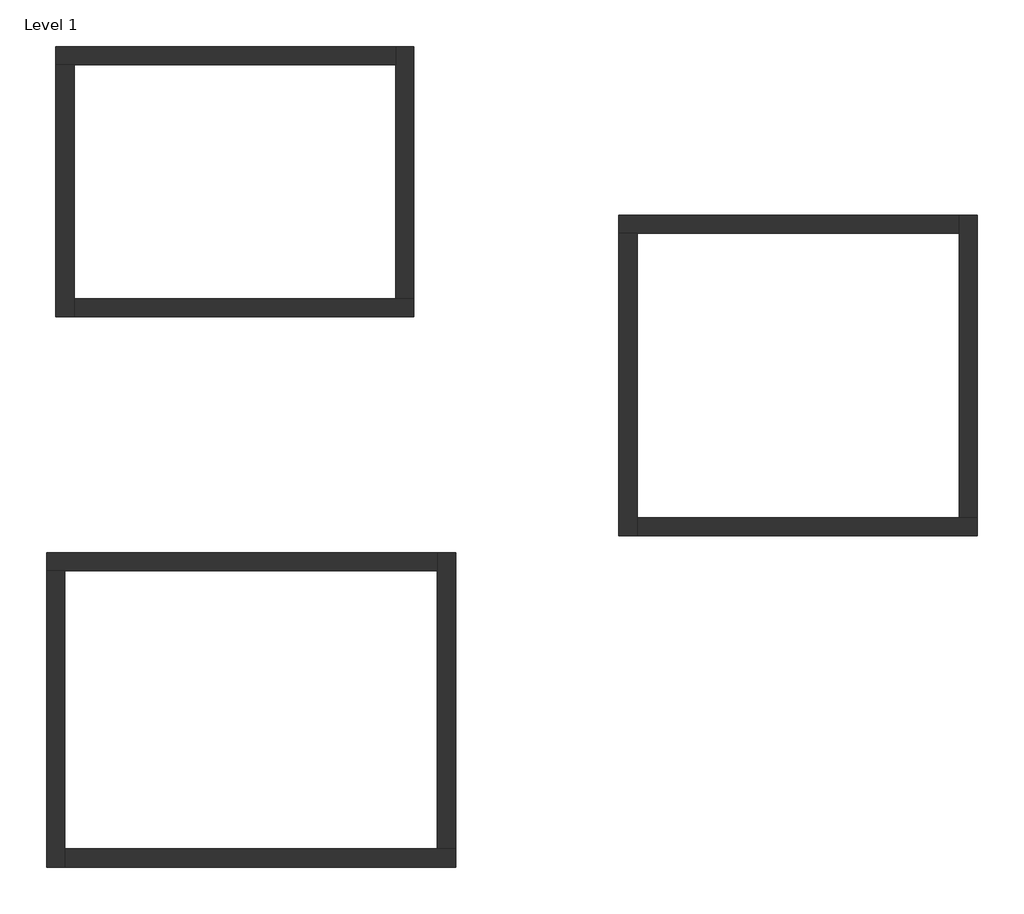
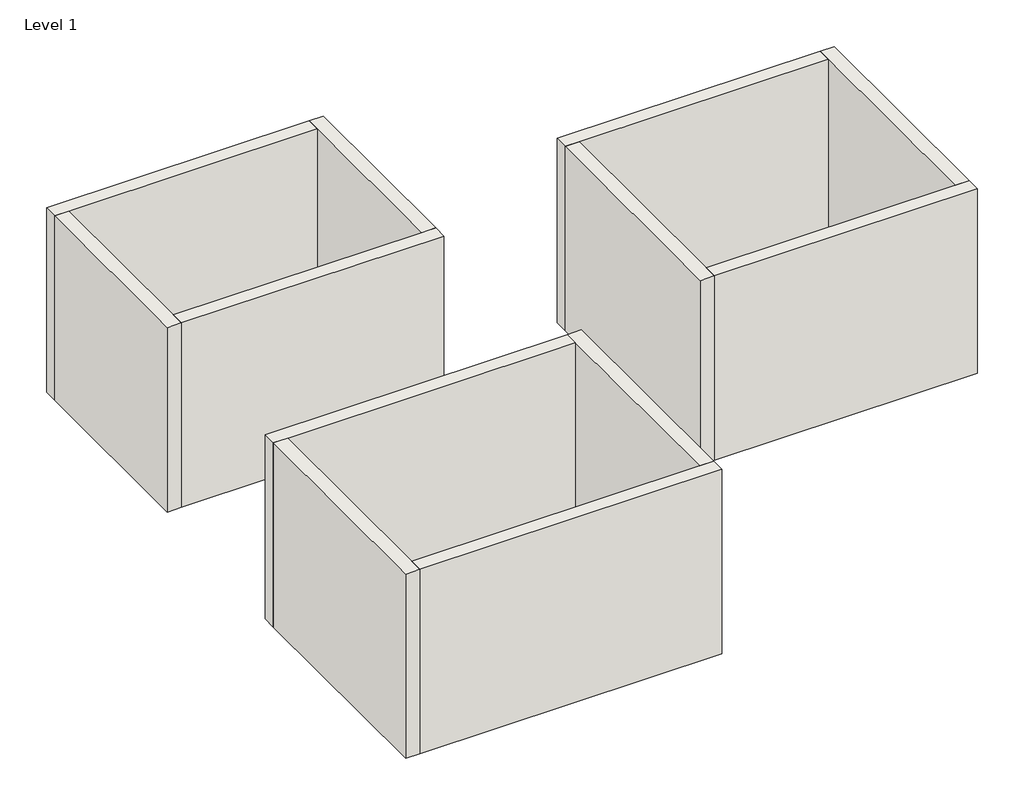
# One storey: 12 walls.
"""IFC4 building model written with IfcOpenShell, lengths in millimetres."""

from ifc_helpers import new_model, si_unit, origin, place, context, project, spatial, faceted_brep, element, save

model = new_model("IFC4")

# Units and contexts
model_context = context("Model", 3, world=origin())
ifc_project = project(units=[si_unit("LENGTHUNIT", "METRE", prefix="MILLI")], contexts=[model_context])

# Site, building, storey
site = spatial("IfcSite", under=ifc_project)
building = spatial("IfcBuilding", under=site)
storey = spatial("IfcBuildingStorey", under=building, Name="Level 1", Elevation=0.0)

# Walls
placement = place(None, origin())
element("IfcWall", 1, at=placement, inside=storey, context=model_context, shape_type="Brep", body=[
    faceted_brep([(-9291.3357942, 7542.1666467, 0.0), (-9001.3357942, 7542.1666467, 0.0), (-3901.3357942, 7542.1666467, 0.0), (-3901.3357942, 7542.1666467, 4000.0), (-9001.3357942, 7542.1666467, 4000.0), (-9291.3357942, 7542.1666467, 4000.0), (-9291.3357942, 7832.1666467, 0.0), (-9291.3357942, 7832.1666467, 4000.0), (-3901.3357942, 7832.1666467, 4000.0), (-3901.3357942, 7832.1666467, 0.0)], [[[0, 1, 2, 3, 4, 5]], [[6, 7, 8, 9]], [[2, 1, 0, 6, 9]], [[5, 4, 3, 8, 7]], [[0, 5, 7, 6]], [[3, 2, 9, 8]]]),
])
element("IfcWall", 2, at=placement, inside=storey, context=model_context, shape_type="Brep", body=[
    faceted_brep([(-9001.3357942, 3542.1666467, 0.0), (-9001.3357942, 3832.1666467, 0.0), (-9001.3357942, 7542.1666467, 0.0), (-9001.3357942, 7542.1666467, 4000.0), (-9001.3357942, 3832.1666467, 4000.0), (-9001.3357942, 3542.1666467, 4000.0), (-9291.3357942, 3542.1666467, 0.0), (-9291.3357942, 3542.1666467, 4000.0), (-9291.3357942, 7542.1666467, 4000.0), (-9291.3357942, 7542.1666467, 0.0)], [[[0, 1, 2, 3, 4, 5]], [[6, 7, 8, 9]], [[2, 1, 0, 6, 9]], [[5, 4, 3, 8, 7]], [[0, 5, 7, 6]], [[3, 2, 9, 8]]]),
])
element("IfcWall", 3, at=placement, inside=storey, context=model_context, shape_type="Brep", body=[
    faceted_brep([(-3611.3357942, 3832.1666467, 0.0), (-3901.3357942, 3832.1666467, 0.0), (-9001.3357942, 3832.1666467, 0.0), (-9001.3357942, 3832.1666467, 4000.0), (-3901.3357942, 3832.1666467, 4000.0), (-3611.3357942, 3832.1666467, 4000.0), (-3611.3357942, 3542.1666467, 0.0), (-3611.3357942, 3542.1666467, 4000.0), (-9001.3357942, 3542.1666467, 4000.0), (-9001.3357942, 3542.1666467, 0.0)], [[[0, 1, 2, 3, 4, 5]], [[6, 7, 8, 9]], [[2, 1, 0, 6, 9]], [[5, 4, 3, 8, 7]], [[0, 5, 7, 6]], [[3, 2, 9, 8]]]),
])
element("IfcWall", 4, at=placement, inside=storey, context=model_context, shape_type="Brep", body=[
    faceted_brep([(-3901.3357942, 7832.1666467, 0.0), (-3901.3357942, 7542.1666467, 0.0), (-3901.3357942, 3832.1666467, 0.0), (-3901.3357942, 3832.1666467, 4000.0), (-3901.3357942, 7542.1666467, 4000.0), (-3901.3357942, 7832.1666467, 4000.0), (-3611.3357942, 7832.1666467, 0.0), (-3611.3357942, 7832.1666467, 4000.0), (-3611.3357942, 3832.1666467, 4000.0), (-3611.3357942, 3832.1666467, 0.0)], [[[0, 1, 2, 3, 4, 5]], [[6, 7, 8, 9]], [[2, 1, 0, 6, 9]], [[5, 4, 3, 8, 7]], [[0, 5, 7, 6]], [[3, 2, 9, 8]]]),
])
element("IfcWall", 5, at=placement, inside=storey, context=model_context, shape_type="Brep", body=[
    faceted_brep([(-357.5121982, 4868.5406071, 0.0), (-67.5121982, 4868.5406071, 0.0), (5042.4878018, 4868.5406071, 0.0), (5042.4878018, 4868.5406071, 4000.0), (-67.5121982, 4868.5406071, 4000.0), (-357.5121982, 4868.5406071, 4000.0), (-357.5121982, 5158.5406071, 0.0), (-357.5121982, 5158.5406071, 4000.0), (5042.4878018, 5158.5406071, 4000.0), (5042.4878018, 5158.5406071, 0.0)], [[[0, 1, 2, 3, 4, 5]], [[6, 7, 8, 9]], [[2, 1, 0, 6, 9]], [[5, 4, 3, 8, 7]], [[0, 5, 7, 6]], [[3, 2, 9, 8]]]),
])
element("IfcWall", 6, at=placement, inside=storey, context=model_context, shape_type="Brep", body=[
    faceted_brep([(-67.5121982, 68.5406071, 0.0), (-67.5121982, 358.5406071, 0.0), (-67.5121982, 4868.5406071, 0.0), (-67.5121982, 4868.5406071, 4000.0), (-67.5121982, 358.5406071, 4000.0), (-67.5121982, 68.5406071, 4000.0), (-357.5121982, 68.5406071, 0.0), (-357.5121982, 68.5406071, 4000.0), (-357.5121982, 4868.5406071, 4000.0), (-357.5121982, 4868.5406071, 0.0)], [[[0, 1, 2, 3, 4, 5]], [[6, 7, 8, 9]], [[2, 1, 0, 6, 9]], [[5, 4, 3, 8, 7]], [[0, 5, 7, 6]], [[3, 2, 9, 8]]]),
])
element("IfcWall", 7, at=placement, inside=storey, context=model_context, shape_type="Brep", body=[
    faceted_brep([(5332.4878018, 358.5406071, 0.0), (5042.4878018, 358.5406071, 0.0), (-67.5121982, 358.5406071, 0.0), (-67.5121982, 358.5406071, 4000.0), (5042.4878018, 358.5406071, 4000.0), (5332.4878018, 358.5406071, 4000.0), (5332.4878018, 68.5406071, 0.0), (5332.4878018, 68.5406071, 4000.0), (-67.5121982, 68.5406071, 4000.0), (-67.5121982, 68.5406071, 0.0)], [[[0, 1, 2, 3, 4, 5]], [[6, 7, 8, 9]], [[2, 1, 0, 6, 9]], [[5, 4, 3, 8, 7]], [[0, 5, 7, 6]], [[3, 2, 9, 8]]]),
])
element("IfcWall", 8, at=placement, inside=storey, context=model_context, shape_type="Brep", body=[
    faceted_brep([(5042.4878018, 5158.5406071, 0.0), (5042.4878018, 4868.5406071, 0.0), (5042.4878018, 358.5406071, 0.0), (5042.4878018, 358.5406071, 4000.0), (5042.4878018, 4868.5406071, 4000.0), (5042.4878018, 5158.5406071, 4000.0), (5332.4878018, 5158.5406071, 0.0), (5332.4878018, 5158.5406071, 4000.0), (5332.4878018, 358.5406071, 4000.0), (5332.4878018, 358.5406071, 0.0)], [[[0, 1, 2, 3, 4, 5]], [[6, 7, 8, 9]], [[2, 1, 0, 6, 9]], [[5, 4, 3, 8, 7]], [[0, 5, 7, 6]], [[3, 2, 9, 8]]]),
])
element("IfcWall", 9, at=placement, inside=storey, context=model_context, shape_type="Brep", body=[
    faceted_brep([(-9439.6652622, -489.2424041, 0.0), (-9149.6652622, -489.2424041, 0.0), (-3239.6652622, -489.2424041, 0.0), (-3239.6652622, -489.2424041, 4000.0), (-9149.6652622, -489.2424041, 4000.0), (-9439.6652622, -489.2424041, 4000.0), (-9439.6652622, -199.2424041, 0.0), (-9439.6652622, -199.2424041, 4000.0), (-3239.6652622, -199.2424041, 4000.0), (-3239.6652622, -199.2424041, 0.0)], [[[0, 1, 2, 3, 4, 5]], [[6, 7, 8, 9]], [[2, 1, 0, 6, 9]], [[5, 4, 3, 8, 7]], [[0, 5, 7, 6]], [[3, 2, 9, 8]]]),
])
element("IfcWall", 10, at=placement, inside=storey, context=model_context, shape_type="Brep", body=[
    faceted_brep([(-9149.6652622, -5189.2424041, 0.0), (-9149.6652622, -4899.2424041, 0.0), (-9149.6652622, -489.2424041, 0.0), (-9149.6652622, -489.2424041, 4000.0), (-9149.6652622, -4899.2424041, 4000.0), (-9149.6652622, -5189.2424041, 4000.0), (-9439.6652622, -5189.2424041, 0.0), (-9439.6652622, -5189.2424041, 4000.0), (-9439.6652622, -489.2424041, 4000.0), (-9439.6652622, -489.2424041, 0.0)], [[[0, 1, 2, 3, 4, 5]], [[6, 7, 8, 9]], [[2, 1, 0, 6, 9]], [[5, 4, 3, 8, 7]], [[0, 5, 7, 6]], [[3, 2, 9, 8]]]),
])
element("IfcWall", 11, at=placement, inside=storey, context=model_context, shape_type="Brep", body=[
    faceted_brep([(-2949.6652622, -4899.2424041, 0.0), (-3239.6652622, -4899.2424041, 0.0), (-9149.6652622, -4899.2424041, 0.0), (-9149.6652622, -4899.2424041, 4000.0), (-3239.6652622, -4899.2424041, 4000.0), (-2949.6652622, -4899.2424041, 4000.0), (-2949.6652622, -5189.2424041, 0.0), (-2949.6652622, -5189.2424041, 4000.0), (-9149.6652622, -5189.2424041, 4000.0), (-9149.6652622, -5189.2424041, 0.0)], [[[0, 1, 2, 3, 4, 5]], [[6, 7, 8, 9]], [[2, 1, 0, 6, 9]], [[5, 4, 3, 8, 7]], [[0, 5, 7, 6]], [[3, 2, 9, 8]]]),
])
element("IfcWall", 12, at=placement, inside=storey, context=model_context, shape_type="Brep", body=[
    faceted_brep([(-3239.6652622, -199.2424041, 0.0), (-3239.6652622, -489.2424041, 0.0), (-3239.6652622, -4899.2424041, 0.0), (-3239.6652622, -4899.2424041, 4000.0), (-3239.6652622, -489.2424041, 4000.0), (-3239.6652622, -199.2424041, 4000.0), (-2949.6652622, -199.2424041, 0.0), (-2949.6652622, -199.2424041, 4000.0), (-2949.6652622, -4899.2424041, 4000.0), (-2949.6652622, -4899.2424041, 0.0)], [[[0, 1, 2, 3, 4, 5]], [[6, 7, 8, 9]], [[2, 1, 0, 6, 9]], [[5, 4, 3, 8, 7]], [[0, 5, 7, 6]], [[3, 2, 9, 8]]]),
])

save(model, "model.ifc")
